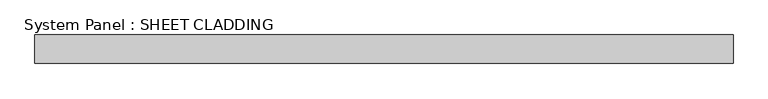
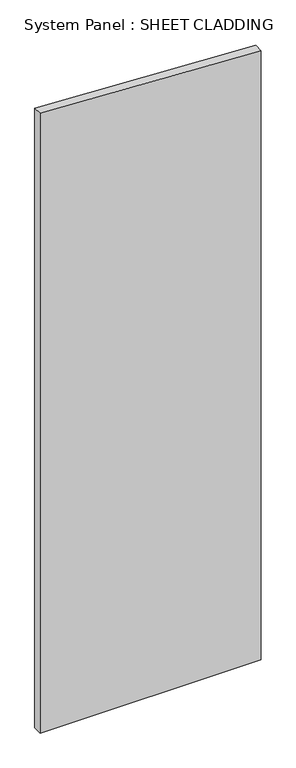
"""IFC4 building model written with IfcOpenShell, lengths in millimetres: plate geometry, System Panel : SHEET CLADDING."""

import ifcopenshell
import ifcopenshell.guid

model = None  # the IFC model being written
_history = None  # IfcOwnerHistory: only IFC2X3 demands one
_inside = {}  # id of a spatial element -> (the spatial element, [elements in it])
_under = {}  # id of a project, library or spatial element -> (it, [spatial elements below it])
_declared = {}  # id of a project -> (the project, [libraries it declares])
_typed = {}  # id of a type object -> (the type object, [elements of that type])
_made_of = {}  # id of a material, layer set ... -> (it, [elements and type objects made of it])


def new_model(schema):
    """Start an empty IFC model of exactly this schema.

    Asked for "IFC4X3", IfcOpenShell would pick the latest addendum, in which some entities
    have other attributes; the version numbers below select the first issue.
    IFC2X3 requires an IfcOwnerHistory on every rooted entity: one is made here for all.
    """
    global model, _history
    if schema == "IFC4X3":
        model = ifcopenshell.file(schema_version=(4, 3, 0, 0))
    else:
        model = ifcopenshell.file(schema=schema)
    _inside.clear()
    _under.clear()
    _declared.clear()
    _typed.clear()
    _made_of.clear()
    _history = None
    if model.schema == "IFC2X3":
        org = make("IfcOrganization", Name="unknown")
        user = make(
            "IfcPersonAndOrganization",
            ThePerson=make("IfcPerson", FamilyName="unknown"),
            TheOrganization=org,
        )
        app = make(
            "IfcApplication",
            ApplicationDeveloper=org,
            Version="unknown",
            ApplicationFullName="unknown",
            ApplicationIdentifier="unknown",
        )
        _history = make(
            "IfcOwnerHistory",
            OwningUser=user,
            OwningApplication=app,
            ChangeAction="ADDED",
            CreationDate=0,
        )
    return model


def make(cls, **values):
    """One entity of the class cls with the attributes given. An attribute that is None is left unset."""
    return model.create_entity(
        cls, **{name: value for name, value in values.items() if value is not None}
    )


def rooted(cls, **values):
    """An entity with a GlobalId (a new one), such as an element, a storey or a relation."""
    return make(cls, GlobalId=ifcopenshell.guid.new(), OwnerHistory=_history, **values)


def si_unit(unit_type, name, prefix=None):
    """IfcSIUnit, for example si_unit("LENGTHUNIT", "METRE", prefix="MILLI")."""
    return make("IfcSIUnit", UnitType=unit_type, Prefix=prefix, Name=name)


def assignment(units):
    """IfcUnitAssignment: the units of a project."""
    return None if units is None else make("IfcUnitAssignment", Units=units)


def point(xyz):
    """IfcCartesianPoint."""
    return None if xyz is None else make("IfcCartesianPoint", Coordinates=xyz)


def direction(xyz):
    """IfcDirection."""
    return None if xyz is None else make("IfcDirection", DirectionRatios=xyz)


def frame(location, z_axis=None, x_axis=None):
    """IfcAxis2Placement3D, a coordinate frame: its origin and axes. An axis left out is left unset."""
    return make(
        "IfcAxis2Placement3D",
        Location=point(location),
        Axis=direction(z_axis),
        RefDirection=direction(x_axis),
    )


def origin():
    """The frame at (0, 0, 0) with its axes left unset."""
    return frame((0.0, 0.0, 0.0))


def place(relative_to, where):
    """IfcLocalPlacement: puts the frame where relative to a parent placement (None: the world)."""
    return make(
        "IfcLocalPlacement", PlacementRelTo=relative_to, RelativePlacement=where
    )


def context(
    kind, dimensions, precision=None, world=None, true_north=None, identifier=None
):
    """IfcGeometricRepresentationContext, for example the 3D "Model" context."""
    return make(
        "IfcGeometricRepresentationContext",
        ContextIdentifier=identifier,
        ContextType=kind,
        CoordinateSpaceDimension=dimensions,
        Precision=precision,
        WorldCoordinateSystem=world,
        TrueNorth=true_north,
    )


def project(units=None, contexts=None):
    """IfcProject with its units and contexts."""
    return rooted(
        "IfcProject",
        Name="project",
        RepresentationContexts=contexts,
        UnitsInContext=assignment(units),
    )


def spatial(cls, under=None, at=None, **own):
    """A site, building, storey or space (cls), placed at a placement, below another one or the project."""
    s = rooted(cls, ObjectPlacement=at, **own)
    if under is not None:
        _under.setdefault(under.id(), (under, []))[1].append(s)
    return s


def polyline(points):
    """IfcPolyline through the points."""
    return make("IfcPolyline", Points=[point(p) for p in points])


def outline(outer, holes=None, kind="AREA"):
    """IfcArbitraryClosedProfileDef: a profile drawn as a closed curve; with holes, ...WithVoids."""
    if holes is None:
        return make("IfcArbitraryClosedProfileDef", ProfileType=kind, OuterCurve=outer)
    return make(
        "IfcArbitraryProfileDefWithVoids",
        ProfileType=kind,
        OuterCurve=outer,
        InnerCurves=holes,
    )


def extrude(swept, where, along, depth):
    """IfcExtrudedAreaSolid: the profile swept, set in the frame where, extruded along a direction by depth."""
    return make(
        "IfcExtrudedAreaSolid",
        SweptArea=swept,
        Position=where,
        ExtrudedDirection=direction(along),
        Depth=depth,
    )


def shape(context_of_items, identifier, shape_type, items):
    """IfcShapeRepresentation: the items that make up one representation, for example the "Body"."""
    return make(
        "IfcShapeRepresentation",
        ContextOfItems=context_of_items,
        RepresentationIdentifier=identifier,
        RepresentationType=shape_type,
        Items=items,
    )


def source(mapping_origin, context_of_items, identifier, shape_type, items):
    """IfcRepresentationMap: a shape defined once, which mapped items show again and again."""
    return make(
        "IfcRepresentationMap",
        MappingOrigin=mapping_origin,
        MappedRepresentation=shape(context_of_items, identifier, shape_type, items),
    )


def transform(
    local_origin,
    x_axis=None,
    y_axis=None,
    z_axis=None,
    scale=None,
    scale2=None,
    scale3=None,
    uniform=True,
):
    """IfcCartesianTransformationOperator3D, or its non-uniform kind. x_axis, y_axis, z_axis: its Axis1, 2, 3."""
    if uniform:
        return make(
            "IfcCartesianTransformationOperator3D",
            Axis1=direction(x_axis),
            Axis2=direction(y_axis),
            LocalOrigin=point(local_origin),
            Scale=scale,
            Axis3=direction(z_axis),
        )
    return make(
        "IfcCartesianTransformationOperator3DnonUniform",
        Axis1=direction(x_axis),
        Axis2=direction(y_axis),
        LocalOrigin=point(local_origin),
        Scale=scale,
        Axis3=direction(z_axis),
        Scale2=scale2,
        Scale3=scale3,
    )


def mapped(mapping_source, mapping_target):
    """IfcMappedItem: shows the shape of a source again, moved by a transform."""
    return make(
        "IfcMappedItem", MappingSource=mapping_source, MappingTarget=mapping_target
    )


def made_of(thing, what):
    """Note that an element or type object is made of a material, layer set ...; save() writes the relation."""
    if what is not None:
        _made_of.setdefault(what.id(), (what, []))[1].append(thing)
    return thing


def element(
    cls,
    number,
    at=None,
    inside=None,
    cuts=None,
    type_object=None,
    material=None,
    context=None,
    identifier="Body",
    shape_type=None,
    held_by="IfcProductDefinitionShape",
    body=None,
    shapes=None,
    **own,
):
    """One element of the class cls, such as IfcWall. Its Tag is "e" and its number.

    at: its placement. inside: the storey or other place that contains it. cuts: it is an
    opening in that element (IfcRelVoidsElement). A single representation is given by context,
    identifier, shape_type and body (its items); several are given by shapes. held_by: the class
    of the entity that holds the representations. save() writes the other relations.
    """
    e = rooted(cls, Tag="e%d" % number, ObjectPlacement=at, **own)
    if body is not None:
        shapes = [shape(context, identifier, shape_type, body)]
    if shapes is not None:
        e.Representation = make(held_by, Representations=shapes)
    if inside is not None:
        _inside.setdefault(inside.id(), (inside, []))[1].append(e)
    if cuts is not None:
        rooted(
            "IfcRelVoidsElement", RelatingBuildingElement=cuts, RelatedOpeningElement=e
        )
    if type_object is not None:
        _typed.setdefault(type_object.id(), (type_object, []))[1].append(e)
    return made_of(e, material)


def aggregate(whole, parts):
    """IfcRelAggregates: a whole, such as a stair, and the parts it consists of."""
    return rooted("IfcRelAggregates", RelatingObject=whole, RelatedObjects=parts)


def save(model, path):
    """Write the relations noted so far, then the file.

    IfcRelAggregates (storeys below a building ...), IfcRelContainedInSpatialStructure (elements
    in a storey), IfcRelDefinesByType, IfcRelAssociatesMaterial and IfcRelDeclares: one each for
    every whole, place, type object, material and project.
    """
    for whole, parts in _under.values():
        aggregate(whole, parts)
    for where, things in _inside.values():
        rooted(
            "IfcRelContainedInSpatialStructure",
            RelatedElements=things,
            RelatingStructure=where,
        )
    for kind, things in _typed.values():
        rooted("IfcRelDefinesByType", RelatedObjects=things, RelatingType=kind)
    for what, things in _made_of.values():
        rooted("IfcRelAssociatesMaterial", RelatedObjects=things, RelatingMaterial=what)
    for by, libraries in _declared.values():
        rooted("IfcRelDeclares", RelatingContext=by, RelatedDefinitions=libraries)
    model.write(path)


def system_panel_sheet_cladding_fe7f7ee2(model_context):
    return source(origin(), model_context, "Body", "SweptSolid", [
        extrude(outline(polyline([(0.0, -735.4591837), (0.0, 735.4591837), (4281.6306122, 735.4591837), (4355.1765306, -735.4591837), (0.0, -735.4591837)])), frame((0.0, -10.5, 0.0), z_axis=(0.0, 1.0, 0.0), x_axis=(0.0, 0.0, 1.0)), (0.0, 0.0, 1.0), 60.0),
    ])


if __name__ == "__main__":
    model = new_model("IFC4")
    model_context = context("Model", 3, world=origin())
    ifc_project = project(units=[si_unit("LENGTHUNIT", "METRE", prefix="MILLI")], contexts=[model_context])
    site = spatial("IfcSite", under=ifc_project)
    building = spatial("IfcBuilding", under=site)
    placement = place(None, origin())
    system_panel_sheet_cladding_shape = system_panel_sheet_cladding_fe7f7ee2(model_context)
    element("IfcPlate", 1, ObjectType="System Panel : SHEET CLADDING", at=placement, inside=building, context=model_context, shape_type="MappedRepresentation", body=[
        mapped(system_panel_sheet_cladding_shape, transform((0.0, 0.0, 0.0), x_axis=(1.0, 0.0, 0.0), y_axis=(0.0, 1.0, 0.0), z_axis=(0.0, 0.0, 1.0))),
    ])
    save(model, "model.ifc")
